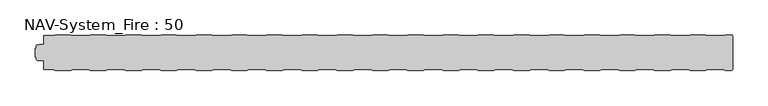
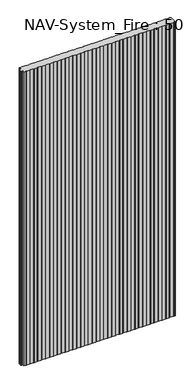
"""IFC4 building model written with IfcOpenShell, lengths in millimetres: plate geometry, NAV-System_Fire : 50."""

from ifc_helpers import new_model, si_unit, frame, origin, place, context, project, spatial, circle_curve, source, transform, mapped, element, save
from ifc_brep_helpers import plane_surface, cylinder_surface, advanced_brep


def nav_system_fire_50_bee35911(model_context):
    return source(origin(), model_context, "Body", "AdvancedBrep", [
        advanced_brep(
        [(489.3798221, -0.8, 2000.0), (486.3798221, -1.8, 2000.0), (464.1201779, -1.8, 2000.0), (461.1201779, -0.8, 2000.0), (439.3798221, -0.8, 2000.0), (436.3798221, -1.8, 2000.0), (414.1201779, -1.8, 2000.0), (411.1201779, -0.8, 2000.0), (389.3798221, -0.8, 2000.0), (386.3798221, -1.8, 2000.0), (364.1201779, -1.8, 2000.0), (361.1201779, -0.8, 2000.0), (339.3798221, -0.8, 2000.0), (336.3798221, -1.8, 2000.0), (314.1201779, -1.8, 2000.0), (311.1201779, -0.8, 2000.0), (289.3798221, -0.8, 2000.0), (286.3798221, -1.8, 2000.0), (264.1201779, -1.8, 2000.0), (261.1201779, -0.8, 2000.0), (239.3798221, -0.8, 2000.0), (236.3798221, -1.8, 2000.0), (214.1201779, -1.8, 2000.0), (211.1201779, -0.8, 2000.0), (189.3798221, -0.8, 2000.0), (186.3798221, -1.8, 2000.0), (164.1201779, -1.8, 2000.0), (161.1201779, -0.8, 2000.0), (139.3798221, -0.8, 2000.0), (136.3798221, -1.8, 2000.0), (114.1201779, -1.8, 2000.0), (111.1201779, -0.8, 2000.0), (89.3798221, -0.8, 2000.0), (86.3798221, -1.8, 2000.0), (64.1201779, -1.8, 2000.0), (61.1201779, -0.8, 2000.0), (39.3798221, -0.8, 2000.0), (36.3798221, -1.8, 2000.0), (14.1201779, -1.8, 2000.0), (11.1201779, -0.8, 2000.0), (-10.6201779, -0.8, 2000.0), (-13.6201779, -1.8, 2000.0), (-35.8798221, -1.8, 2000.0), (-38.8798221, -0.8, 2000.0), (-60.6201779, -0.8, 2000.0), (-63.6201779, -1.8, 2000.0), (-85.8798221, -1.8, 2000.0), (-88.8798221, -0.8, 2000.0), (-110.6201779, -0.8, 2000.0), (-113.6201779, -1.8, 2000.0), (-135.8798221, -1.8, 2000.0), (-138.8798221, -0.8, 2000.0), (-160.6201779, -0.8, 2000.0), (-163.6201779, -1.8, 2000.0), (-185.8798221, -1.8, 2000.0), (-188.8798221, -0.8, 2000.0), (-210.6201779, -0.8, 2000.0), (-213.6201779, -1.8, 2000.0), (-235.8798221, -1.8, 2000.0), (-238.8798221, -0.8, 2000.0), (-260.6201779, -0.8, 2000.0), (-263.6201779, -1.8, 2000.0), (-285.8798221, -1.8, 2000.0), (-288.8798221, -0.8, 2000.0), (-310.6201779, -0.8, 2000.0), (-313.6201779, -1.8, 2000.0), (-335.8798221, -1.8, 2000.0), (-338.8798221, -0.8, 2000.0), (-360.6201779, -0.8, 2000.0), (-363.6201779, -1.8, 2000.0), (-385.8798221, -1.8, 2000.0), (-388.8798221, -0.8, 2000.0), (-410.6201779, -0.8, 2000.0), (-413.6201779, -1.8, 2000.0), (-435.8798221, -1.8, 2000.0), (-438.8798221, -0.8, 2000.0), (-460.6201779, -0.8, 2000.0), (-463.6201779, -1.8, 2000.0), (-476.9102086, -1.8, 2000.0), (-476.9102086, -14.4343223, 2000.0), (-483.4274784, -14.4343223, 2000.0), (-485.8625665, -14.8636942, 2000.0), (-487.3500004, -16.636349, 2000.0), (-487.3500004, -19.9487816, 2000.0), (-488.9002227, -19.9487816, 2000.0), (-488.9002227, -31.6487997, 2000.0), (-487.3500014, -31.6487997, 2000.0), (-487.3500014, -34.963651, 2000.0), (-485.8625665, -36.7363054, 2000.0), (-483.4274762, -37.1656777, 2000.0), (-476.9102086, -37.1656777, 2000.0), (-476.9102086, -49.8, 2000.0), (-463.6201779, -49.8, 2000.0), (-460.6201779, -50.8, 2000.0), (-438.8798221, -50.8, 2000.0), (-435.8798221, -49.8, 2000.0), (-413.6201779, -49.8, 2000.0), (-410.6201779, -50.8, 2000.0), (-388.8798221, -50.8, 2000.0), (-385.8798221, -49.8, 2000.0), (-363.6201779, -49.8, 2000.0), (-360.6201779, -50.8, 2000.0), (-338.8798221, -50.8, 2000.0), (-335.8798221, -49.8, 2000.0), (-313.6201779, -49.8, 2000.0), (-310.6201779, -50.8, 2000.0), (-288.8798221, -50.8, 2000.0), (-285.8798221, -49.8, 2000.0), (-263.6201779, -49.8, 2000.0), (-260.6201779, -50.8, 2000.0), (-238.8798221, -50.8, 2000.0), (-235.8798221, -49.8, 2000.0), (-213.6201779, -49.8, 2000.0), (-210.6201779, -50.8, 2000.0), (-188.8798221, -50.8, 2000.0), (-185.8798221, -49.8, 2000.0), (-163.6201779, -49.8, 2000.0), (-160.6201779, -50.8, 2000.0), (-138.8798221, -50.8, 2000.0), (-135.8798221, -49.8, 2000.0), (-113.6201779, -49.8, 2000.0), (-110.6201779, -50.8, 2000.0), (-88.8798221, -50.8, 2000.0), (-85.8798221, -49.8, 2000.0), (-63.6201779, -49.8, 2000.0), (-60.6201779, -50.8, 2000.0), (-38.8798221, -50.8, 2000.0), (-35.8798221, -49.8, 2000.0), (-13.6201779, -49.8, 2000.0), (-10.6201779, -50.8, 2000.0), (11.1201779, -50.8, 2000.0), (14.1201779, -49.8, 2000.0), (36.3798221, -49.8, 2000.0), (39.3798221, -50.8, 2000.0), (61.1201779, -50.8, 2000.0), (64.1201779, -49.8, 2000.0), (86.3798221, -49.8, 2000.0), (89.3798221, -50.8, 2000.0), (111.1201779, -50.8, 2000.0), (114.1201779, -49.8, 2000.0), (136.3798221, -49.8, 2000.0), (139.3798221, -50.8, 2000.0), (161.1201779, -50.8, 2000.0), (164.1201779, -49.8, 2000.0), (186.3798221, -49.8, 2000.0), (189.3798221, -50.8, 2000.0), (211.1201779, -50.8, 2000.0), (214.1201779, -49.8, 2000.0), (236.3798221, -49.8, 2000.0), (239.3798221, -50.8, 2000.0), (261.1201779, -50.8, 2000.0), (264.1201779, -49.8, 2000.0), (286.3798221, -49.8, 2000.0), (289.3798221, -50.8, 2000.0), (311.1201779, -50.8, 2000.0), (314.1201779, -49.8, 2000.0), (336.3798221, -49.8, 2000.0), (339.3798221, -50.8, 2000.0), (361.1201779, -50.8, 2000.0), (364.1201779, -49.8, 2000.0), (386.3798221, -49.8, 2000.0), (389.3798221, -50.8, 2000.0), (411.1201779, -50.8, 2000.0), (414.1201779, -49.8, 2000.0), (436.3798221, -49.8, 2000.0), (439.3798221, -50.8, 2000.0), (461.1201779, -50.8, 2000.0), (464.1201779, -49.8, 2000.0), (486.3798221, -49.8, 2000.0), (489.3798221, -50.8, 2000.0), (498.2500017, -50.8, 2000.0), (499.4471561, -49.6825886, 2000.0), (499.4471561, -45.3999876, 2000.0), (499.75, -45.3999876, 2000.0), (499.75, -6.2000131, 2000.0), (499.4471561, -6.2000131, 2000.0), (499.4471561, -1.9174088, 2000.0), (498.2500017, -0.8, 2000.0), (489.3798221, -0.8, 0.0), (498.2500017, -0.8, 0.0), (499.4471561, -1.9174088, 0.0), (499.4471561, -6.2000131, 0.0), (499.75, -6.2000131, 0.0), (499.75, -45.3999876, 0.0), (499.4471561, -45.3999876, 0.0), (499.4471561, -49.6825886, 0.0), (498.2500017, -50.8, 0.0), (489.3798221, -50.8, 0.0), (486.3798221, -49.8, 0.0), (464.1201779, -49.8, 0.0), (461.1201779, -50.8, 0.0), (439.3798221, -50.8, 0.0), (436.3798221, -49.8, 0.0), (414.1201779, -49.8, 0.0), (411.1201779, -50.8, 0.0), (389.3798221, -50.8, 0.0), (386.3798221, -49.8, 0.0), (364.1201779, -49.8, 0.0), (361.1201779, -50.8, 0.0), (339.3798221, -50.8, 0.0), (336.3798221, -49.8, 0.0), (314.1201779, -49.8, 0.0), (311.1201779, -50.8, 0.0), (289.3798221, -50.8, 0.0), (286.3798221, -49.8, 0.0), (264.1201779, -49.8, 0.0), (261.1201779, -50.8, 0.0), (239.3798221, -50.8, 0.0), (236.3798221, -49.8, 0.0), (214.1201779, -49.8, 0.0), (211.1201779, -50.8, 0.0), (189.3798221, -50.8, 0.0), (186.3798221, -49.8, 0.0), (164.1201779, -49.8, 0.0), (161.1201779, -50.8, 0.0), (139.3798221, -50.8, 0.0), (136.3798221, -49.8, 0.0), (114.1201779, -49.8, 0.0), (111.1201779, -50.8, 0.0), (89.3798221, -50.8, 0.0), (86.3798221, -49.8, 0.0), (64.1201779, -49.8, 0.0), (61.1201779, -50.8, 0.0), (39.3798221, -50.8, 0.0), (36.3798221, -49.8, 0.0), (14.1201779, -49.8, 0.0), (11.1201779, -50.8, 0.0), (-10.6201779, -50.8, 0.0), (-13.6201779, -49.8, 0.0), (-35.8798221, -49.8, 0.0), (-38.8798221, -50.8, 0.0), (-60.6201779, -50.8, 0.0), (-63.6201779, -49.8, 0.0), (-85.8798221, -49.8, 0.0), (-88.8798221, -50.8, 0.0), (-110.6201779, -50.8, 0.0), (-113.6201779, -49.8, 0.0), (-135.8798221, -49.8, 0.0), (-138.8798221, -50.8, 0.0), (-160.6201779, -50.8, 0.0), (-163.6201779, -49.8, 0.0), (-185.8798221, -49.8, 0.0), (-188.8798221, -50.8, 0.0), (-210.6201779, -50.8, 0.0), (-213.6201779, -49.8, 0.0), (-235.8798221, -49.8, 0.0), (-238.8798221, -50.8, 0.0), (-260.6201779, -50.8, 0.0), (-263.6201779, -49.8, 0.0), (-285.8798221, -49.8, 0.0), (-288.8798221, -50.8, 0.0), (-310.6201779, -50.8, 0.0), (-313.6201779, -49.8, 0.0), (-335.8798221, -49.8, 0.0), (-338.8798221, -50.8, 0.0), (-360.6201779, -50.8, 0.0), (-363.6201779, -49.8, 0.0), (-385.8798221, -49.8, 0.0), (-388.8798221, -50.8, 0.0), (-410.6201779, -50.8, 0.0), (-413.6201779, -49.8, 0.0), (-435.8798221, -49.8, 0.0), (-438.8798221, -50.8, 0.0), (-460.6201779, -50.8, 0.0), (-463.6201779, -49.8, 0.0), (-476.9102086, -49.8, 0.0), (-476.9102086, -37.1656777, 0.0), (-483.4274762, -37.1656777, 0.0), (-485.8625665, -36.7363054, 0.0), (-487.3500004, -34.963651, 0.0), (-487.3500014, -31.6487997, 0.0), (-488.9002227, -31.6487997, 0.0), (-488.9002227, -19.9487816, 0.0), (-487.3500004, -19.9487816, 0.0), (-487.3500004, -16.636349, 0.0), (-485.8625665, -14.8636942, 0.0), (-483.4274784, -14.4343223, 0.0), (-476.9102086, -14.4343223, 0.0), (-476.9102086, -1.8, 0.0), (-463.6201779, -1.8, 0.0), (-460.6201779, -0.8, 0.0), (-438.8798221, -0.8, 0.0), (-435.8798221, -1.8, 0.0), (-413.6201779, -1.8, 0.0), (-410.6201779, -0.8, 0.0), (-388.8798221, -0.8, 0.0), (-385.8798221, -1.8, 0.0), (-363.6201779, -1.8, 0.0), (-360.6201779, -0.8, 0.0), (-338.8798221, -0.8, 0.0), (-335.8798221, -1.8, 0.0), (-313.6201779, -1.8, 0.0), (-310.6201779, -0.8, 0.0), (-288.8798221, -0.8, 0.0), (-285.8798221, -1.8, 0.0), (-263.6201779, -1.8, 0.0), (-260.6201779, -0.8, 0.0), (-238.8798221, -0.8, 0.0), (-235.8798221, -1.8, 0.0), (-213.6201779, -1.8, 0.0), (-210.6201779, -0.8, 0.0), (-188.8798221, -0.8, 0.0), (-185.8798221, -1.8, 0.0), (-163.6201779, -1.8, 0.0), (-160.6201779, -0.8, 0.0), (-138.8798221, -0.8, 0.0), (-135.8798221, -1.8, 0.0), (-113.6201779, -1.8, 0.0), (-110.6201779, -0.8, 0.0), (-88.8798221, -0.8, 0.0), (-85.8798221, -1.8, 0.0), (-63.6201779, -1.8, 0.0), (-60.6201779, -0.8, 0.0), (-38.8798221, -0.8, 0.0), (-35.8798221, -1.8, 0.0), (-13.6201779, -1.8, 0.0), (-10.6201779, -0.8, 0.0), (11.1201779, -0.8, 0.0), (14.1201779, -1.8, 0.0), (36.3798221, -1.8, 0.0), (39.3798221, -0.8, 0.0), (61.1201779, -0.8, 0.0), (64.1201779, -1.8, 0.0), (86.3798221, -1.8, 0.0), (89.3798221, -0.8, 0.0), (111.1201779, -0.8, 0.0), (114.1201779, -1.8, 0.0), (136.3798221, -1.8, 0.0), (139.3798221, -0.8, 0.0), (161.1201779, -0.8, 0.0), (164.1201779, -1.8, 0.0), (186.3798221, -1.8, 0.0), (189.3798221, -0.8, 0.0), (211.1201779, -0.8, 0.0), (214.1201779, -1.8, 0.0), (236.3798221, -1.8, 0.0), (239.3798221, -0.8, 0.0), (261.1201779, -0.8, 0.0), (264.1201779, -1.8, 0.0), (286.3798221, -1.8, 0.0), (289.3798221, -0.8, 0.0), (311.1201779, -0.8, 0.0), (314.1201779, -1.8, 0.0), (336.3798221, -1.8, 0.0), (339.3798221, -0.8, 0.0), (361.1201779, -0.8, 0.0), (364.1201779, -1.8, 0.0), (386.3798221, -1.8, 0.0), (389.3798221, -0.8, 0.0), (411.1201779, -0.8, 0.0), (414.1201779, -1.8, 0.0), (436.3798221, -1.8, 0.0), (439.3798221, -0.8, 0.0), (461.1201779, -0.8, 0.0), (464.1201779, -1.8, 0.0), (486.3798221, -1.8, 0.0)],
        [
            (0, 1),
            (1, 2),
            (2, 3),
            (3, 4),
            (4, 5),
            (5, 6),
            (6, 7),
            (7, 8),
            (8, 9),
            (9, 10),
            (10, 11),
            (11, 12),
            (12, 13),
            (13, 14),
            (14, 15),
            (15, 16),
            (16, 17),
            (17, 18),
            (18, 19),
            (19, 20),
            (20, 21),
            (21, 22),
            (22, 23),
            (23, 24),
            (24, 25),
            (25, 26),
            (26, 27),
            (27, 28),
            (28, 29),
            (29, 30),
            (30, 31),
            (31, 32),
            (32, 33),
            (33, 34),
            (34, 35),
            (35, 36),
            (36, 37),
            (37, 38),
            (38, 39),
            (39, 40),
            (40, 41),
            (41, 42),
            (42, 43),
            (43, 44),
            (44, 45),
            (45, 46),
            (46, 47),
            (47, 48),
            (48, 49),
            (49, 50),
            (50, 51),
            (51, 52),
            (52, 53),
            (53, 54),
            (54, 55),
            (55, 56),
            (56, 57),
            (57, 58),
            (58, 59),
            (59, 60),
            (60, 61),
            (61, 62),
            (62, 63),
            (63, 64),
            (64, 65),
            (65, 66),
            (66, 67),
            (67, 68),
            (68, 69),
            (69, 70),
            (70, 71),
            (71, 72),
            (72, 73),
            (73, 74),
            (74, 75),
            (75, 76),
            (76, 77),
            (77, 78),
            (78, 79),
            (79, 80),
            (80, 81),
            (81, 82, circle_curve(frame((-485.5499995, -16.636349, 2000.0), z_axis=(0.0, 0.0, 1.0), x_axis=(1.0, 0.0, 0.0)), 1.8000009)),
            (82, 83),
            (83, 84),
            (84, 85),
            (85, 86),
            (86, 87),
            (87, 88, circle_curve(frame((-485.5499995, -34.9636506, 2000.0), z_axis=(0.0, 0.0, 1.0), x_axis=(1.0, 0.0, 0.0)), 1.8000009)),
            (88, 89),
            (89, 90),
            (90, 91),
            (91, 92),
            (92, 93),
            (93, 94),
            (94, 95),
            (95, 96),
            (96, 97),
            (97, 98),
            (98, 99),
            (99, 100),
            (100, 101),
            (101, 102),
            (102, 103),
            (103, 104),
            (104, 105),
            (105, 106),
            (106, 107),
            (107, 108),
            (108, 109),
            (109, 110),
            (110, 111),
            (111, 112),
            (112, 113),
            (113, 114),
            (114, 115),
            (115, 116),
            (116, 117),
            (117, 118),
            (118, 119),
            (119, 120),
            (120, 121),
            (121, 122),
            (122, 123),
            (123, 124),
            (124, 125),
            (125, 126),
            (126, 127),
            (127, 128),
            (128, 129),
            (129, 130),
            (130, 131),
            (131, 132),
            (132, 133),
            (133, 134),
            (134, 135),
            (135, 136),
            (136, 137),
            (137, 138),
            (138, 139),
            (139, 140),
            (140, 141),
            (141, 142),
            (142, 143),
            (143, 144),
            (144, 145),
            (145, 146),
            (146, 147),
            (147, 148),
            (148, 149),
            (149, 150),
            (150, 151),
            (151, 152),
            (152, 153),
            (153, 154),
            (154, 155),
            (155, 156),
            (156, 157),
            (157, 158),
            (158, 159),
            (159, 160),
            (160, 161),
            (161, 162),
            (162, 163),
            (163, 164),
            (164, 165),
            (165, 166),
            (166, 167),
            (167, 168),
            (168, 169),
            (169, 170),
            (170, 171, circle_curve(frame((498.2500017, -49.6000001, 2000.0), z_axis=(0.0, 0.0, 1.0), x_axis=(1.0, 0.0, 0.0)), 1.1999999)),
            (171, 172),
            (172, 173),
            (173, 174),
            (174, 175),
            (175, 176),
            (176, 177, circle_curve(frame((498.2500017, -2.0, 2000.0), z_axis=(0.0, 0.0, 1.0), x_axis=(1.0, 0.0, 0.0)), 1.2)),
            (177, 0),
            (178, 179),
            (179, 180, circle_curve(frame((498.2500017, -2.0, 0.0), z_axis=(0.0, 0.0, -1.0), x_axis=(1.0, 0.0, 0.0)), 1.2)),
            (180, 181),
            (181, 182),
            (182, 183),
            (183, 184),
            (184, 185),
            (185, 186, circle_curve(frame((498.2500017, -49.6000001, 0.0), z_axis=(0.0, 0.0, -1.0), x_axis=(1.0, 0.0, 0.0)), 1.1999999)),
            (186, 187),
            (187, 188),
            (188, 189),
            (189, 190),
            (190, 191),
            (191, 192),
            (192, 193),
            (193, 194),
            (194, 195),
            (195, 196),
            (196, 197),
            (197, 198),
            (198, 199),
            (199, 200),
            (200, 201),
            (201, 202),
            (202, 203),
            (203, 204),
            (204, 205),
            (205, 206),
            (206, 207),
            (207, 208),
            (208, 209),
            (209, 210),
            (210, 211),
            (211, 212),
            (212, 213),
            (213, 214),
            (214, 215),
            (215, 216),
            (216, 217),
            (217, 218),
            (218, 219),
            (219, 220),
            (220, 221),
            (221, 222),
            (222, 223),
            (223, 224),
            (224, 225),
            (225, 226),
            (226, 227),
            (227, 228),
            (228, 229),
            (229, 230),
            (230, 231),
            (231, 232),
            (232, 233),
            (233, 234),
            (234, 235),
            (235, 236),
            (236, 237),
            (237, 238),
            (238, 239),
            (239, 240),
            (240, 241),
            (241, 242),
            (242, 243),
            (243, 244),
            (244, 245),
            (245, 246),
            (246, 247),
            (247, 248),
            (248, 249),
            (249, 250),
            (250, 251),
            (251, 252),
            (252, 253),
            (253, 254),
            (254, 255),
            (255, 256),
            (256, 257),
            (257, 258),
            (258, 259),
            (259, 260),
            (260, 261),
            (261, 262),
            (262, 263),
            (263, 264),
            (264, 265),
            (265, 266),
            (266, 267),
            (267, 268),
            (268, 269, circle_curve(frame((-485.5499995, -34.9636506, 0.0), z_axis=(0.0, 0.0, -1.0), x_axis=(1.0, 0.0, 0.0)), 1.8000009)),
            (269, 270),
            (270, 271),
            (271, 272),
            (272, 273),
            (273, 274),
            (274, 275, circle_curve(frame((-485.5499995, -16.636349, 0.0), z_axis=(0.0, 0.0, -1.0), x_axis=(1.0, 0.0, 0.0)), 1.8000009)),
            (275, 276),
            (276, 277),
            (277, 278),
            (278, 279),
            (279, 280),
            (280, 281),
            (281, 282),
            (282, 283),
            (283, 284),
            (284, 285),
            (285, 286),
            (286, 287),
            (287, 288),
            (288, 289),
            (289, 290),
            (290, 291),
            (291, 292),
            (292, 293),
            (293, 294),
            (294, 295),
            (295, 296),
            (296, 297),
            (297, 298),
            (298, 299),
            (299, 300),
            (300, 301),
            (301, 302),
            (302, 303),
            (303, 304),
            (304, 305),
            (305, 306),
            (306, 307),
            (307, 308),
            (308, 309),
            (309, 310),
            (310, 311),
            (311, 312),
            (312, 313),
            (313, 314),
            (314, 315),
            (315, 316),
            (316, 317),
            (317, 318),
            (318, 319),
            (319, 320),
            (320, 321),
            (321, 322),
            (322, 323),
            (323, 324),
            (324, 325),
            (325, 326),
            (326, 327),
            (327, 328),
            (328, 329),
            (329, 330),
            (330, 331),
            (331, 332),
            (332, 333),
            (333, 334),
            (334, 335),
            (335, 336),
            (336, 337),
            (337, 338),
            (338, 339),
            (339, 340),
            (340, 341),
            (341, 342),
            (342, 343),
            (343, 344),
            (344, 345),
            (345, 346),
            (346, 347),
            (347, 348),
            (348, 349),
            (349, 350),
            (350, 351),
            (351, 352),
            (352, 353),
            (353, 354),
            (354, 355),
            (355, 178),
            (177, 179),
            (178, 0),
            (355, 1),
            (354, 2),
            (353, 3),
            (352, 4),
            (351, 5),
            (350, 6),
            (349, 7),
            (348, 8),
            (347, 9),
            (346, 10),
            (345, 11),
            (344, 12),
            (343, 13),
            (342, 14),
            (341, 15),
            (340, 16),
            (339, 17),
            (338, 18),
            (337, 19),
            (336, 20),
            (335, 21),
            (334, 22),
            (333, 23),
            (332, 24),
            (331, 25),
            (330, 26),
            (329, 27),
            (328, 28),
            (327, 29),
            (326, 30),
            (325, 31),
            (324, 32),
            (323, 33),
            (322, 34),
            (321, 35),
            (320, 36),
            (319, 37),
            (318, 38),
            (317, 39),
            (316, 40),
            (315, 41),
            (314, 42),
            (313, 43),
            (312, 44),
            (311, 45),
            (310, 46),
            (309, 47),
            (308, 48),
            (307, 49),
            (306, 50),
            (305, 51),
            (304, 52),
            (303, 53),
            (302, 54),
            (301, 55),
            (300, 56),
            (299, 57),
            (298, 58),
            (297, 59),
            (296, 60),
            (295, 61),
            (294, 62),
            (293, 63),
            (292, 64),
            (291, 65),
            (290, 66),
            (289, 67),
            (288, 68),
            (287, 69),
            (286, 70),
            (285, 71),
            (284, 72),
            (283, 73),
            (282, 74),
            (281, 75),
            (280, 76),
            (279, 77),
            (278, 78),
            (91, 265),
            (264, 92),
            (263, 93),
            (262, 94),
            (261, 95),
            (260, 96),
            (259, 97),
            (258, 98),
            (257, 99),
            (256, 100),
            (255, 101),
            (254, 102),
            (253, 103),
            (252, 104),
            (251, 105),
            (250, 106),
            (249, 107),
            (248, 108),
            (247, 109),
            (246, 110),
            (245, 111),
            (244, 112),
            (243, 113),
            (242, 114),
            (241, 115),
            (240, 116),
            (239, 117),
            (238, 118),
            (237, 119),
            (236, 120),
            (235, 121),
            (234, 122),
            (233, 123),
            (232, 124),
            (231, 125),
            (230, 126),
            (229, 127),
            (228, 128),
            (227, 129),
            (226, 130),
            (225, 131),
            (224, 132),
            (223, 133),
            (222, 134),
            (221, 135),
            (220, 136),
            (219, 137),
            (218, 138),
            (217, 139),
            (216, 140),
            (215, 141),
            (214, 142),
            (213, 143),
            (212, 144),
            (211, 145),
            (210, 146),
            (209, 147),
            (208, 148),
            (207, 149),
            (206, 150),
            (205, 151),
            (204, 152),
            (203, 153),
            (202, 154),
            (201, 155),
            (200, 156),
            (199, 157),
            (198, 158),
            (197, 159),
            (196, 160),
            (195, 161),
            (194, 162),
            (193, 163),
            (192, 164),
            (191, 165),
            (190, 166),
            (189, 167),
            (188, 168),
            (187, 169),
            (186, 170),
            (277, 79),
            (276, 80),
            (82, 274),
            (273, 83),
            (272, 84),
            (271, 85),
            (89, 267),
            (266, 90),
            (185, 171),
            (184, 172),
            (183, 173),
            (181, 175),
            (174, 182),
            (180, 176),
            (275, 81),
            (270, 86),
            (269, 87),
            (268, 88),
        ],
        [
            plane_surface(frame((-499.75, 0.0, 2000.0), z_axis=(0.0, 0.0, 1.0), x_axis=(0.0, -1.0, 0.0))),
            plane_surface(frame((-499.75, 0.0, 0.0), z_axis=(0.0, 0.0, -1.0), x_axis=(0.0, -1.0, 0.0))),
            plane_surface(frame((498.2500017, -0.8, 2000.0), z_axis=(0.0, 1.0, 0.0), x_axis=(0.0, 0.0, -1.0))),
            plane_surface(frame((489.3798221, -0.8, 2000.0), z_axis=(-0.31622776601669594, 0.9486832980505612, 0.0), x_axis=(0.0, 0.0, -1.0))),
            plane_surface(frame((486.3798221, -1.8, 2000.0), z_axis=(0.0, 1.0, 0.0), x_axis=(0.0, 0.0, -1.0))),
            plane_surface(frame((464.1201779, -1.8, 2000.0), z_axis=(0.3162277660168045, 0.948683298050525, 0.0), x_axis=(0.0, 0.0, -1.0))),
            plane_surface(frame((461.1201779, -0.8, 2000.0), z_axis=(0.0, 1.0, 0.0), x_axis=(0.0, 0.0, -1.0))),
            plane_surface(frame((439.3798221, -0.8, 2000.0), z_axis=(-0.3162277660167413, 0.9486832980505461, 0.0), x_axis=(0.0, 0.0, -1.0))),
            plane_surface(frame((436.3798221, -1.8, 2000.0), z_axis=(0.0, 1.0, 0.0), x_axis=(0.0, 0.0, -1.0))),
            plane_surface(frame((414.1201779, -1.8, 2000.0), z_axis=(0.31622776601675356, 0.948683298050542, 0.0), x_axis=(0.0, 0.0, -1.0))),
            plane_surface(frame((411.1201779, -0.8, 2000.0), z_axis=(0.0, 1.0, 0.0), x_axis=(0.0, 0.0, -1.0))),
            plane_surface(frame((389.3798221, -0.8, 2000.0), z_axis=(-0.31622776601679226, 0.9486832980505291, 0.0), x_axis=(0.0, 0.0, -1.0))),
            plane_surface(frame((386.3798221, -1.8, 2000.0), z_axis=(0.0, 1.0, 0.0), x_axis=(0.0, 0.0, -1.0))),
            plane_surface(frame((364.1201779, -1.8, 2000.0), z_axis=(0.3162277660168045, 0.948683298050525, 0.0), x_axis=(0.0, 0.0, -1.0))),
            plane_surface(frame((361.1201779, -0.8, 2000.0), z_axis=(0.0, 1.0, 0.0), x_axis=(0.0, 0.0, -1.0))),
            plane_surface(frame((339.3798221, -0.8, 2000.0), z_axis=(-0.3162277660167413, 0.9486832980505461, 0.0), x_axis=(0.0, 0.0, -1.0))),
            plane_surface(frame((336.3798221, -1.8, 2000.0), z_axis=(0.0, 1.0, 0.0), x_axis=(0.0, 0.0, -1.0))),
            plane_surface(frame((314.1201779, -1.8, 2000.0), z_axis=(0.31622776601675356, 0.948683298050542, 0.0), x_axis=(0.0, 0.0, -1.0))),
            plane_surface(frame((311.1201779, -0.8, 2000.0), z_axis=(0.0, 1.0, 0.0), x_axis=(0.0, 0.0, -1.0))),
            plane_surface(frame((289.3798221, -0.8, 2000.0), z_axis=(-0.31622776601679226, 0.9486832980505291, 0.0), x_axis=(0.0, 0.0, -1.0))),
            plane_surface(frame((286.3798221, -1.8, 2000.0), z_axis=(0.0, 1.0, 0.0), x_axis=(0.0, 0.0, -1.0))),
            plane_surface(frame((264.1201779, -1.8, 2000.0), z_axis=(0.3162277660168045, 0.948683298050525, 0.0), x_axis=(0.0, 0.0, -1.0))),
            plane_surface(frame((261.1201779, -0.8, 2000.0), z_axis=(0.0, 1.0, 0.0), x_axis=(0.0, 0.0, -1.0))),
            plane_surface(frame((239.3798221, -0.8, 2000.0), z_axis=(-0.3162277660167413, 0.9486832980505461, 0.0), x_axis=(0.0, 0.0, -1.0))),
            plane_surface(frame((236.3798221, -1.8, 2000.0), z_axis=(0.0, 1.0, 0.0), x_axis=(0.0, 0.0, -1.0))),
            plane_surface(frame((214.1201779, -1.8, 2000.0), z_axis=(0.31622776601675356, 0.948683298050542, 0.0), x_axis=(0.0, 0.0, -1.0))),
            plane_surface(frame((211.1201779, -0.8, 2000.0), z_axis=(0.0, 1.0, 0.0), x_axis=(0.0, 0.0, -1.0))),
            plane_surface(frame((189.3798221, -0.8, 2000.0), z_axis=(-0.31622776601679226, 0.9486832980505291, 0.0), x_axis=(0.0, 0.0, -1.0))),
            plane_surface(frame((186.3798221, -1.8, 2000.0), z_axis=(0.0, 1.0, 0.0), x_axis=(0.0, 0.0, -1.0))),
            plane_surface(frame((164.1201779, -1.8, 2000.0), z_axis=(0.3162277660168045, 0.948683298050525, 0.0), x_axis=(0.0, 0.0, -1.0))),
            plane_surface(frame((161.1201779, -0.8, 2000.0), z_axis=(0.0, 1.0, 0.0), x_axis=(0.0, 0.0, -1.0))),
            plane_surface(frame((139.3798221, -0.8, 2000.0), z_axis=(-0.3162277660167413, 0.9486832980505461, 0.0), x_axis=(0.0, 0.0, -1.0))),
            plane_surface(frame((136.3798221, -1.8, 2000.0), z_axis=(0.0, 1.0, 0.0), x_axis=(0.0, 0.0, -1.0))),
            plane_surface(frame((114.1201779, -1.8, 2000.0), z_axis=(0.31622776601675356, 0.948683298050542, 0.0), x_axis=(0.0, 0.0, -1.0))),
            plane_surface(frame((111.1201779, -0.8, 2000.0), z_axis=(0.0, 1.0, 0.0), x_axis=(0.0, 0.0, -1.0))),
            plane_surface(frame((89.3798221, -0.8, 2000.0), z_axis=(-0.3162277660167413, 0.9486832980505461, 0.0), x_axis=(0.0, 0.0, -1.0))),
            plane_surface(frame((86.3798221, -1.8, 2000.0), z_axis=(0.0, 1.0, 0.0), x_axis=(0.0, 0.0, -1.0))),
            plane_surface(frame((64.1201779, -1.8, 2000.0), z_axis=(0.31622776601675356, 0.948683298050542, 0.0), x_axis=(0.0, 0.0, -1.0))),
            plane_surface(frame((61.1201779, -0.8, 2000.0), z_axis=(0.0, 1.0, 0.0), x_axis=(0.0, 0.0, -1.0))),
            plane_surface(frame((39.3798221, -0.8, 2000.0), z_axis=(-0.31622776601679226, 0.9486832980505291, 0.0), x_axis=(0.0, 0.0, -1.0))),
            plane_surface(frame((36.3798221, -1.8, 2000.0), z_axis=(0.0, 1.0, 0.0), x_axis=(0.0, 0.0, -1.0))),
            plane_surface(frame((14.1201779, -1.8, 2000.0), z_axis=(0.3162277660168045, 0.948683298050525, 0.0), x_axis=(0.0, 0.0, -1.0))),
            plane_surface(frame((11.1201779, -0.8, 2000.0), z_axis=(0.0, 1.0, 0.0), x_axis=(0.0, 0.0, -1.0))),
            plane_surface(frame((-10.6201779, -0.8, 2000.0), z_axis=(-0.3162277660167413, 0.9486832980505461, 0.0), x_axis=(0.0, 0.0, -1.0))),
            plane_surface(frame((-13.6201779, -1.8, 2000.0), z_axis=(0.0, 1.0, 0.0), x_axis=(0.0, 0.0, -1.0))),
            plane_surface(frame((-35.8798221, -1.8, 2000.0), z_axis=(0.31622776601675356, 0.948683298050542, 0.0), x_axis=(0.0, 0.0, -1.0))),
            plane_surface(frame((-38.8798221, -0.8, 2000.0), z_axis=(0.0, 1.0, 0.0), x_axis=(0.0, 0.0, -1.0))),
            plane_surface(frame((-60.6201779, -0.8, 2000.0), z_axis=(-0.31622776601679226, 0.9486832980505291, 0.0), x_axis=(0.0, 0.0, -1.0))),
            plane_surface(frame((-63.6201779, -1.8, 2000.0), z_axis=(0.0, 1.0, 0.0), x_axis=(0.0, 0.0, -1.0))),
            plane_surface(frame((-85.8798221, -1.8, 2000.0), z_axis=(0.3162277660168045, 0.948683298050525, 0.0), x_axis=(0.0, 0.0, -1.0))),
            plane_surface(frame((-88.8798221, -0.8, 2000.0), z_axis=(0.0, 1.0, 0.0), x_axis=(0.0, 0.0, -1.0))),
            plane_surface(frame((-110.6201779, -0.8, 2000.0), z_axis=(-0.3162277660167413, 0.9486832980505461, 0.0), x_axis=(0.0, 0.0, -1.0))),
            plane_surface(frame((-113.6201779, -1.8, 2000.0), z_axis=(0.0, 1.0, 0.0), x_axis=(0.0, 0.0, -1.0))),
            plane_surface(frame((-135.8798221, -1.8, 2000.0), z_axis=(0.31622776601675356, 0.948683298050542, 0.0), x_axis=(0.0, 0.0, -1.0))),
            plane_surface(frame((-138.8798221, -0.8, 2000.0), z_axis=(0.0, 1.0, 0.0), x_axis=(0.0, 0.0, -1.0))),
            plane_surface(frame((-160.6201779, -0.8, 2000.0), z_axis=(-0.31622776601679226, 0.9486832980505291, 0.0), x_axis=(0.0, 0.0, -1.0))),
            plane_surface(frame((-163.6201779, -1.8, 2000.0), z_axis=(0.0, 1.0, 0.0), x_axis=(0.0, 0.0, -1.0))),
            plane_surface(frame((-185.8798221, -1.8, 2000.0), z_axis=(0.3162277660168056, 0.9486832980505246, 0.0), x_axis=(0.0, 0.0, -1.0))),
            plane_surface(frame((-188.8798221, -0.8, 2000.0), z_axis=(0.0, 1.0, 0.0), x_axis=(0.0, 0.0, -1.0))),
            plane_surface(frame((-210.6201779, -0.8, 2000.0), z_axis=(-0.3162277660167413, 0.9486832980505461, 0.0), x_axis=(0.0, 0.0, -1.0))),
            plane_surface(frame((-213.6201779, -1.8, 2000.0), z_axis=(0.0, 1.0, 0.0), x_axis=(0.0, 0.0, -1.0))),
            plane_surface(frame((-235.8798221, -1.8, 2000.0), z_axis=(0.31622776601675356, 0.948683298050542, 0.0), x_axis=(0.0, 0.0, -1.0))),
            plane_surface(frame((-238.8798221, -0.8, 2000.0), z_axis=(0.0, 1.0, 0.0), x_axis=(0.0, 0.0, -1.0))),
            plane_surface(frame((-260.6201779, -0.8, 2000.0), z_axis=(-0.31622776601679226, 0.9486832980505291, 0.0), x_axis=(0.0, 0.0, -1.0))),
            plane_surface(frame((-263.6201779, -1.8, 2000.0), z_axis=(0.0, 1.0, 0.0), x_axis=(0.0, 0.0, -1.0))),
            plane_surface(frame((-285.8798221, -1.8, 2000.0), z_axis=(0.3162277660168045, 0.948683298050525, 0.0), x_axis=(0.0, 0.0, -1.0))),
            plane_surface(frame((-288.8798221, -0.8, 2000.0), z_axis=(0.0, 1.0, 0.0), x_axis=(0.0, 0.0, -1.0))),
            plane_surface(frame((-310.6201779, -0.8, 2000.0), z_axis=(-0.3162277660167413, 0.9486832980505461, 0.0), x_axis=(0.0, 0.0, -1.0))),
            plane_surface(frame((-313.6201779, -1.8, 2000.0), z_axis=(0.0, 1.0, 0.0), x_axis=(0.0, 0.0, -1.0))),
            plane_surface(frame((-335.8798221, -1.8, 2000.0), z_axis=(0.31622776601675356, 0.948683298050542, 0.0), x_axis=(0.0, 0.0, -1.0))),
            plane_surface(frame((-338.8798221, -0.8, 2000.0), z_axis=(0.0, 1.0, 0.0), x_axis=(0.0, 0.0, -1.0))),
            plane_surface(frame((-360.6201779, -0.8, 2000.0), z_axis=(-0.31622776601679226, 0.9486832980505291, 0.0), x_axis=(0.0, 0.0, -1.0))),
            plane_surface(frame((-363.6201779, -1.8, 2000.0), z_axis=(0.0, 1.0, 0.0), x_axis=(0.0, 0.0, -1.0))),
            plane_surface(frame((-385.8798221, -1.8, 2000.0), z_axis=(0.3162277660168045, 0.948683298050525, 0.0), x_axis=(0.0, 0.0, -1.0))),
            plane_surface(frame((-388.8798221, -0.8, 2000.0), z_axis=(0.0, 1.0, 0.0), x_axis=(0.0, 0.0, -1.0))),
            plane_surface(frame((-410.6201779, -0.8, 2000.0), z_axis=(-0.31622776601679226, 0.9486832980505291, 0.0), x_axis=(0.0, 0.0, -1.0))),
            plane_surface(frame((-413.6201779, -1.8, 2000.0), z_axis=(0.0, 1.0, 0.0), x_axis=(0.0, 0.0, -1.0))),
            plane_surface(frame((-435.8798221, -1.8, 2000.0), z_axis=(0.3162277660168045, 0.948683298050525, 0.0), x_axis=(0.0, 0.0, -1.0))),
            plane_surface(frame((-438.8798221, -0.8, 2000.0), z_axis=(0.0, 1.0, 0.0), x_axis=(0.0, 0.0, -1.0))),
            plane_surface(frame((-460.6201779, -0.8, 2000.0), z_axis=(-0.3162277660167413, 0.9486832980505461, 0.0), x_axis=(0.0, 0.0, -1.0))),
            plane_surface(frame((-463.6201779, -1.8, 2000.0), z_axis=(0.0, 1.0, 0.0), x_axis=(0.0, 0.0, -1.0))),
            plane_surface(frame((-476.9102086, -49.8, 2000.0), z_axis=(0.0, -1.0, 0.0), x_axis=(0.0, 0.0, -1.0))),
            plane_surface(frame((-463.6201779, -49.8, 2000.0), z_axis=(-0.31622776601680425, -0.9486832980505251, 0.0), x_axis=(0.0, 0.0, -1.0))),
            plane_surface(frame((-460.6201779, -50.8, 2000.0), z_axis=(0.0, -1.0, 0.0), x_axis=(0.0, 0.0, -1.0))),
            plane_surface(frame((-438.8798221, -50.8, 2000.0), z_axis=(0.3162277660166068, -0.9486832980505908, 0.0), x_axis=(0.0, 0.0, -1.0))),
            plane_surface(frame((-435.8798221, -49.8, 2000.0), z_axis=(0.0, -1.0, 0.0), x_axis=(0.0, 0.0, -1.0))),
            plane_surface(frame((-413.6201779, -49.8, 2000.0), z_axis=(-0.3162277660169808, -0.9486832980504663, 0.0), x_axis=(0.0, 0.0, -1.0))),
            plane_surface(frame((-410.6201779, -50.8, 2000.0), z_axis=(0.0, -1.0, 0.0), x_axis=(0.0, 0.0, -1.0))),
            plane_surface(frame((-388.8798221, -50.8, 2000.0), z_axis=(0.3162277660165346, -0.9486832980506149, 0.0), x_axis=(0.0, 0.0, -1.0))),
            plane_surface(frame((-385.8798221, -49.8, 2000.0), z_axis=(0.0, -1.0, 0.0), x_axis=(0.0, 0.0, -1.0))),
            plane_surface(frame((-363.6201779, -49.8, 2000.0), z_axis=(-0.3162277660169872, -0.9486832980504641, 0.0), x_axis=(0.0, 0.0, -1.0))),
            plane_surface(frame((-360.6201779, -50.8, 2000.0), z_axis=(0.0, -1.0, 0.0), x_axis=(0.0, 0.0, -1.0))),
            plane_surface(frame((-338.8798221, -50.8, 2000.0), z_axis=(0.31622776601646235, -0.948683298050639, 0.0), x_axis=(0.0, 0.0, -1.0))),
            plane_surface(frame((-335.8798221, -49.8, 2000.0), z_axis=(0.0, -1.0, 0.0), x_axis=(0.0, 0.0, -1.0))),
            plane_surface(frame((-313.6201779, -49.8, 2000.0), z_axis=(-0.316227766016862, -0.9486832980505058, 0.0), x_axis=(0.0, 0.0, -1.0))),
            plane_surface(frame((-310.6201779, -50.8, 2000.0), z_axis=(0.0, -1.0, 0.0), x_axis=(0.0, 0.0, -1.0))),
            plane_surface(frame((-288.8798221, -50.8, 2000.0), z_axis=(0.3162277660164126, -0.9486832980506557, 0.0), x_axis=(0.0, 0.0, -1.0))),
            plane_surface(frame((-285.8798221, -49.8, 2000.0), z_axis=(0.0, -1.0, 0.0), x_axis=(0.0, 0.0, -1.0))),
            plane_surface(frame((-263.6201779, -49.8, 2000.0), z_axis=(-0.31622776601681385, -0.9486832980505219, 0.0), x_axis=(0.0, 0.0, -1.0))),
            plane_surface(frame((-260.6201779, -50.8, 2000.0), z_axis=(0.0, -1.0, 0.0), x_axis=(0.0, 0.0, -1.0))),
            plane_surface(frame((-238.8798221, -50.8, 2000.0), z_axis=(0.3162277660164688, -0.9486832980506369, 0.0), x_axis=(0.0, 0.0, -1.0))),
            plane_surface(frame((-235.8798221, -49.8, 2000.0), z_axis=(0.0, -1.0, 0.0), x_axis=(0.0, 0.0, -1.0))),
            plane_surface(frame((-213.6201779, -49.8, 2000.0), z_axis=(-0.3162277660169198, -0.9486832980504866, 0.0), x_axis=(0.0, 0.0, -1.0))),
            plane_surface(frame((-210.6201779, -50.8, 2000.0), z_axis=(0.0, -1.0, 0.0), x_axis=(0.0, 0.0, -1.0))),
            plane_surface(frame((-188.8798221, -50.8, 2000.0), z_axis=(0.31622776601647684, -0.9486832980506342, 0.0), x_axis=(0.0, 0.0, -1.0))),
            plane_surface(frame((-185.8798221, -49.8, 2000.0), z_axis=(0.0, -1.0, 0.0), x_axis=(0.0, 0.0, -1.0))),
            plane_surface(frame((-163.6201779, -49.8, 2000.0), z_axis=(-0.3162277660169102, -0.9486832980504898, 0.0), x_axis=(0.0, 0.0, -1.0))),
            plane_surface(frame((-160.6201779, -50.8, 2000.0), z_axis=(0.0, -1.0, 0.0), x_axis=(0.0, 0.0, -1.0))),
            plane_surface(frame((-138.8798221, -50.8, 2000.0), z_axis=(0.3162277660165153, -0.9486832980506213, 0.0), x_axis=(0.0, 0.0, -1.0))),
            plane_surface(frame((-135.8798221, -49.8, 2000.0), z_axis=(0.0, -1.0, 0.0), x_axis=(0.0, 0.0, -1.0))),
            plane_surface(frame((-113.6201779, -49.8, 2000.0), z_axis=(-0.31622776601686364, -0.9486832980505052, 0.0), x_axis=(0.0, 0.0, -1.0))),
            plane_surface(frame((-110.6201779, -50.8, 2000.0), z_axis=(0.0, -1.0, 0.0), x_axis=(0.0, 0.0, -1.0))),
            plane_surface(frame((-88.8798221, -50.8, 2000.0), z_axis=(0.31622776601645114, -0.9486832980506428, 0.0), x_axis=(0.0, 0.0, -1.0))),
            plane_surface(frame((-85.8798221, -49.8, 2000.0), z_axis=(0.0, -1.0, 0.0), x_axis=(0.0, 0.0, -1.0))),
            plane_surface(frame((-63.6201779, -49.8, 2000.0), z_axis=(-0.31622776601692304, -0.9486832980504855, 0.0), x_axis=(0.0, 0.0, -1.0))),
            plane_surface(frame((-60.6201779, -50.8, 2000.0), z_axis=(0.0, -1.0, 0.0), x_axis=(0.0, 0.0, -1.0))),
            plane_surface(frame((-38.8798221, -50.8, 2000.0), z_axis=(0.3162277660164704, -0.9486832980506364, 0.0), x_axis=(0.0, 0.0, -1.0))),
            plane_surface(frame((-35.8798221, -49.8, 2000.0), z_axis=(0.0, -1.0, 0.0), x_axis=(0.0, 0.0, -1.0))),
            plane_surface(frame((-13.6201779, -49.8, 2000.0), z_axis=(-0.31622776601685726, -0.9486832980505074, 0.0), x_axis=(0.0, 0.0, -1.0))),
            plane_surface(frame((-10.6201779, -50.8, 2000.0), z_axis=(0.0, -1.0, 0.0), x_axis=(0.0, 0.0, -1.0))),
            plane_surface(frame((11.1201779, -50.8, 2000.0), z_axis=(0.3162277660165025, -0.9486832980506257, 0.0), x_axis=(0.0, 0.0, -1.0))),
            plane_surface(frame((14.1201779, -49.8, 2000.0), z_axis=(0.0, -1.0, 0.0), x_axis=(0.0, 0.0, -1.0))),
            plane_surface(frame((36.3798221, -49.8, 2000.0), z_axis=(-0.3162277660169487, -0.9486832980504769, 0.0), x_axis=(0.0, 0.0, -1.0))),
            plane_surface(frame((39.3798221, -50.8, 2000.0), z_axis=(0.0, -1.0, 0.0), x_axis=(0.0, 0.0, -1.0))),
            plane_surface(frame((61.1201779, -50.8, 2000.0), z_axis=(0.3162277660164576, -0.9486832980506407, 0.0), x_axis=(0.0, 0.0, -1.0))),
            plane_surface(frame((64.1201779, -49.8, 2000.0), z_axis=(0.0, -1.0, 0.0), x_axis=(0.0, 0.0, -1.0))),
            plane_surface(frame((86.3798221, -49.8, 2000.0), z_axis=(-0.3162277660169038, -0.9486832980504919, 0.0), x_axis=(0.0, 0.0, -1.0))),
            plane_surface(frame((89.3798221, -50.8, 2000.0), z_axis=(0.0, -1.0, 0.0), x_axis=(0.0, 0.0, -1.0))),
            plane_surface(frame((111.1201779, -50.8, 2000.0), z_axis=(0.31622776601658753, -0.9486832980505973, 0.0), x_axis=(0.0, 0.0, -1.0))),
            plane_surface(frame((114.1201779, -49.8, 2000.0), z_axis=(0.0, -1.0, 0.0), x_axis=(0.0, 0.0, -1.0))),
            plane_surface(frame((136.3798221, -49.8, 2000.0), z_axis=(-0.3162277660169294, -0.9486832980504833, 0.0), x_axis=(0.0, 0.0, -1.0))),
            plane_surface(frame((139.3798221, -50.8, 2000.0), z_axis=(0.0, -1.0, 0.0), x_axis=(0.0, 0.0, -1.0))),
            plane_surface(frame((161.1201779, -50.8, 2000.0), z_axis=(0.31622776601649605, -0.9486832980506278, 0.0), x_axis=(0.0, 0.0, -1.0))),
            plane_surface(frame((164.1201779, -49.8, 2000.0), z_axis=(0.0, -1.0, 0.0), x_axis=(0.0, 0.0, -1.0))),
            plane_surface(frame((186.3798221, -49.8, 2000.0), z_axis=(-0.3162277660169744, -0.9486832980504684, 0.0), x_axis=(0.0, 0.0, -1.0))),
            plane_surface(frame((189.3798221, -50.8, 2000.0), z_axis=(0.0, -1.0, 0.0), x_axis=(0.0, 0.0, -1.0))),
            plane_surface(frame((211.1201779, -50.8, 2000.0), z_axis=(0.31622776601655705, -0.9486832980506075, 0.0), x_axis=(0.0, 0.0, -1.0))),
            plane_surface(frame((214.1201779, -49.8, 2000.0), z_axis=(0.0, -1.0, 0.0), x_axis=(0.0, 0.0, -1.0))),
            plane_surface(frame((236.3798221, -49.8, 2000.0), z_axis=(-0.3162277660169375, -0.9486832980504807, 0.0), x_axis=(0.0, 0.0, -1.0))),
            plane_surface(frame((239.3798221, -50.8, 2000.0), z_axis=(0.0, -1.0, 0.0), x_axis=(0.0, 0.0, -1.0))),
            plane_surface(frame((261.1201779, -50.8, 2000.0), z_axis=(0.31622776601652175, -0.9486832980506192, 0.0), x_axis=(0.0, 0.0, -1.0))),
            plane_surface(frame((264.1201779, -49.8, 2000.0), z_axis=(0.0, -1.0, 0.0), x_axis=(0.0, 0.0, -1.0))),
            plane_surface(frame((286.3798221, -49.8, 2000.0), z_axis=(-0.31622776601696795, -0.9486832980504705, 0.0), x_axis=(0.0, 0.0, -1.0))),
            plane_surface(frame((289.3798221, -50.8, 2000.0), z_axis=(0.0, -1.0, 0.0), x_axis=(0.0, 0.0, -1.0))),
            plane_surface(frame((311.1201779, -50.8, 2000.0), z_axis=(0.3162277660165346, -0.948683298050615, 0.0), x_axis=(0.0, 0.0, -1.0))),
            plane_surface(frame((314.1201779, -49.8, 2000.0), z_axis=(0.0, -1.0, 0.0), x_axis=(0.0, 0.0, -1.0))),
            plane_surface(frame((336.3798221, -49.8, 2000.0), z_axis=(-0.31622776601693425, -0.9486832980504817, 0.0), x_axis=(0.0, 0.0, -1.0))),
            plane_surface(frame((339.3798221, -50.8, 2000.0), z_axis=(0.0, -1.0, 0.0), x_axis=(0.0, 0.0, -1.0))),
            plane_surface(frame((361.1201779, -50.8, 2000.0), z_axis=(0.31622776601654745, -0.9486832980506107, 0.0), x_axis=(0.0, 0.0, -1.0))),
            plane_surface(frame((364.1201779, -49.8, 2000.0), z_axis=(0.0, -1.0, 0.0), x_axis=(0.0, 0.0, -1.0))),
            plane_surface(frame((386.3798221, -49.8, 2000.0), z_axis=(-0.3162277660169294, -0.9486832980504833, 0.0), x_axis=(0.0, 0.0, -1.0))),
            plane_surface(frame((389.3798221, -50.8, 2000.0), z_axis=(0.0, -1.0, 0.0), x_axis=(0.0, 0.0, -1.0))),
            plane_surface(frame((411.1201779, -50.8, 2000.0), z_axis=(0.31622776601635477, -0.9486832980506749, 0.0), x_axis=(0.0, 0.0, -1.0))),
            plane_surface(frame((414.1201779, -49.8, 2000.0), z_axis=(0.0, -1.0, 0.0), x_axis=(0.0, 0.0, -1.0))),
            plane_surface(frame((436.3798221, -49.8, 2000.0), z_axis=(-0.3162277660168123, -0.9486832980505224, 0.0), x_axis=(0.0, 0.0, -1.0))),
            plane_surface(frame((439.3798221, -50.8, 2000.0), z_axis=(0.0, -1.0, 0.0), x_axis=(0.0, 0.0, -1.0))),
            plane_surface(frame((461.1201779, -50.8, 2000.0), z_axis=(0.3162277660163805, -0.9486832980506663, 0.0), x_axis=(0.0, 0.0, -1.0))),
            plane_surface(frame((464.1201779, -49.8, 2000.0), z_axis=(0.0, -1.0, 0.0), x_axis=(0.0, 0.0, -1.0))),
            plane_surface(frame((486.3798221, -49.8, 2000.0), z_axis=(-0.31622776601669833, -0.9486832980505604, 0.0), x_axis=(0.0, 0.0, -1.0))),
            plane_surface(frame((489.3798221, -50.8, 2000.0), z_axis=(0.0, -1.0, 0.0), x_axis=(0.0, 0.0, -1.0))),
            plane_surface(frame((-476.9102086, -1.8, 2000.0), z_axis=(-1.0, 0.0, 0.0), x_axis=(0.0, 0.0, -1.0))),
            plane_surface(frame((-476.9102086, -14.4343223, 2000.0), z_axis=(0.0, 1.0, 0.0), x_axis=(0.0, 0.0, -1.0))),
            plane_surface(frame((-487.3500004, -16.636349, 2000.0), z_axis=(-1.0, 0.0, 0.0), x_axis=(0.0, 0.0, -1.0))),
            plane_surface(frame((-487.3500004, -19.9487816, 2000.0), z_axis=(0.0, 1.0, 0.0), x_axis=(0.0, 0.0, -1.0))),
            plane_surface(frame((-488.9002227, -19.9487816, 2000.0), z_axis=(-1.0, 0.0, 0.0), x_axis=(0.0, 0.0, -1.0))),
            plane_surface(frame((-483.4274762, -37.1656777, 2000.0), z_axis=(0.0, -1.0, 0.0), x_axis=(0.0, 0.0, -1.0))),
            cylinder_surface(frame((498.2500017, -49.6000001, 2000.0), z_axis=(0.0, 0.0, 1.0), x_axis=(1.0, 0.0, 0.0)), 1.1999999),
            plane_surface(frame((499.4471561, -49.6825886, 2000.0), z_axis=(1.0, 0.0, 0.0), x_axis=(0.0, 0.0, -1.0))),
            plane_surface(frame((499.4471561, -45.3999876, 2000.0), z_axis=(0.0, -1.0, 0.0), x_axis=(0.0, 0.0, -1.0))),
            plane_surface(frame((510.0471492, -6.2000131, 2000.0), z_axis=(0.0, 1.0, 0.0), x_axis=(0.0, 0.0, -1.0))),
            plane_surface(frame((499.4471561, -6.2000131, 2000.0), z_axis=(1.0, 0.0, 0.0), x_axis=(0.0, 0.0, -1.0))),
            cylinder_surface(frame((498.2500017, -2.0, 2000.0), z_axis=(0.0, 0.0, 1.0), x_axis=(1.0, 0.0, 0.0)), 1.2),
            plane_surface(frame((-476.9102086, -37.1656777, 2000.0), z_axis=(-1.0, 0.0, 0.0), x_axis=(0.0, 0.0, -1.0))),
            plane_surface(frame((-483.4274784, -14.4343223, 2000.0), z_axis=(-0.17364822279076972, 0.9848077450556567, 0.0), x_axis=(0.0, 0.0, -1.0))),
            cylinder_surface(frame((-485.5499995, -16.636349, 2000.0), z_axis=(0.0, 0.0, 1.0), x_axis=(1.0, 0.0, 0.0)), 1.8000009),
            plane_surface(frame((-488.9002227, -31.6487997, 2000.0), z_axis=(0.0, -1.0, 0.0), x_axis=(0.0, 0.0, -1.0))),
            plane_surface(frame((-487.3500014, -31.6487997, 2000.0), z_axis=(-1.0, 0.0, 0.0), x_axis=(0.0, 0.0, -1.0))),
            cylinder_surface(frame((-485.5499995, -34.9636506, 2000.0), z_axis=(0.0, 0.0, 1.0), x_axis=(1.0, 0.0, 0.0)), 1.8000009),
            plane_surface(frame((-485.8625665, -36.7363054, 2000.0), z_axis=(-0.17364822279077433, -0.9848077450556558, 0.0), x_axis=(0.0, 0.0, -1.0))),
            plane_surface(frame((499.75, 100.0, 2000.0), z_axis=(1.0, 0.0, 0.0), x_axis=(0.0, 0.0, -1.0))),
        ],
        [
            (0, [[1, 2, 3, 4, 5, 6, 7, 8, 9, 10, 11, 12, 13, 14, 15, 16, 17, 18, 19, 20, 21, 22, 23, 24, 25, 26, 27, 28, 29, 30, 31, 32, 33, 34, 35, 36, 37, 38, 39, 40, 41, 42, 43, 44, 45, 46, 47, 48, 49, 50, 51, 52, 53, 54, 55, 56, 57, 58, 59, 60, 61, 62, 63, 64, 65, 66, 67, 68, 69, 70, 71, 72, 73, 74, 75, 76, 77, 78, 79, 80, 81, 82, 83, 84, 85, 86, 87, 88, 89, 90, 91, 92, 93, 94, 95, 96, 97, 98, 99, 100, 101, 102, 103, 104, 105, 106, 107, 108, 109, 110, 111, 112, 113, 114, 115, 116, 117, 118, 119, 120, 121, 122, 123, 124, 125, 126, 127, 128, 129, 130, 131, 132, 133, 134, 135, 136, 137, 138, 139, 140, 141, 142, 143, 144, 145, 146, 147, 148, 149, 150, 151, 152, 153, 154, 155, 156, 157, 158, 159, 160, 161, 162, 163, 164, 165, 166, 167, 168, 169, 170, 171, 172, 173, 174, 175, 176, 177, 178]]),
            (1, [[179, 180, 181, 182, 183, 184, 185, 186, 187, 188, 189, 190, 191, 192, 193, 194, 195, 196, 197, 198, 199, 200, 201, 202, 203, 204, 205, 206, 207, 208, 209, 210, 211, 212, 213, 214, 215, 216, 217, 218, 219, 220, 221, 222, 223, 224, 225, 226, 227, 228, 229, 230, 231, 232, 233, 234, 235, 236, 237, 238, 239, 240, 241, 242, 243, 244, 245, 246, 247, 248, 249, 250, 251, 252, 253, 254, 255, 256, 257, 258, 259, 260, 261, 262, 263, 264, 265, 266, 267, 268, 269, 270, 271, 272, 273, 274, 275, 276, 277, 278, 279, 280, 281, 282, 283, 284, 285, 286, 287, 288, 289, 290, 291, 292, 293, 294, 295, 296, 297, 298, 299, 300, 301, 302, 303, 304, 305, 306, 307, 308, 309, 310, 311, 312, 313, 314, 315, 316, 317, 318, 319, 320, 321, 322, 323, 324, 325, 326, 327, 328, 329, 330, 331, 332, 333, 334, 335, 336, 337, 338, 339, 340, 341, 342, 343, 344, 345, 346, 347, 348, 349, 350, 351, 352, 353, 354, 355, 356]]),
            (2, [[-178, 357, -179, 358]]),
            (3, [[-1, -358, -356, 359]]),
            (4, [[-2, -359, -355, 360]]),
            (5, [[-3, -360, -354, 361]]),
            (6, [[-4, -361, -353, 362]]),
            (7, [[-5, -362, -352, 363]]),
            (8, [[-6, -363, -351, 364]]),
            (9, [[-7, -364, -350, 365]]),
            (10, [[-8, -365, -349, 366]]),
            (11, [[-9, -366, -348, 367]]),
            (12, [[-10, -367, -347, 368]]),
            (13, [[-11, -368, -346, 369]]),
            (14, [[-12, -369, -345, 370]]),
            (15, [[-13, -370, -344, 371]]),
            (16, [[-14, -371, -343, 372]]),
            (17, [[-15, -372, -342, 373]]),
            (18, [[-16, -373, -341, 374]]),
            (19, [[-17, -374, -340, 375]]),
            (20, [[-18, -375, -339, 376]]),
            (21, [[-19, -376, -338, 377]]),
            (22, [[-20, -377, -337, 378]]),
            (23, [[-21, -378, -336, 379]]),
            (24, [[-22, -379, -335, 380]]),
            (25, [[-23, -380, -334, 381]]),
            (26, [[-24, -381, -333, 382]]),
            (27, [[-25, -382, -332, 383]]),
            (28, [[-26, -383, -331, 384]]),
            (29, [[-27, -384, -330, 385]]),
            (30, [[-28, -385, -329, 386]]),
            (31, [[-29, -386, -328, 387]]),
            (32, [[-30, -387, -327, 388]]),
            (33, [[-31, -388, -326, 389]]),
            (34, [[-32, -389, -325, 390]]),
            (35, [[-33, -390, -324, 391]]),
            (36, [[-34, -391, -323, 392]]),
            (37, [[-35, -392, -322, 393]]),
            (38, [[-36, -393, -321, 394]]),
            (39, [[-37, -394, -320, 395]]),
            (40, [[-38, -395, -319, 396]]),
            (41, [[-39, -396, -318, 397]]),
            (42, [[-40, -397, -317, 398]]),
            (43, [[-41, -398, -316, 399]]),
            (44, [[-42, -399, -315, 400]]),
            (45, [[-43, -400, -314, 401]]),
            (46, [[-44, -401, -313, 402]]),
            (47, [[-45, -402, -312, 403]]),
            (48, [[-46, -403, -311, 404]]),
            (49, [[-47, -404, -310, 405]]),
            (50, [[-48, -405, -309, 406]]),
            (51, [[-49, -406, -308, 407]]),
            (52, [[-50, -407, -307, 408]]),
            (53, [[-51, -408, -306, 409]]),
            (54, [[-52, -409, -305, 410]]),
            (55, [[-53, -410, -304, 411]]),
            (56, [[-54, -411, -303, 412]]),
            (57, [[-55, -412, -302, 413]]),
            (58, [[-56, -413, -301, 414]]),
            (59, [[-57, -414, -300, 415]]),
            (60, [[-58, -415, -299, 416]]),
            (61, [[-59, -416, -298, 417]]),
            (62, [[-60, -417, -297, 418]]),
            (63, [[-61, -418, -296, 419]]),
            (64, [[-62, -419, -295, 420]]),
            (65, [[-63, -420, -294, 421]]),
            (66, [[-64, -421, -293, 422]]),
            (67, [[-65, -422, -292, 423]]),
            (68, [[-66, -423, -291, 424]]),
            (69, [[-67, -424, -290, 425]]),
            (70, [[-68, -425, -289, 426]]),
            (71, [[-69, -426, -288, 427]]),
            (72, [[-70, -427, -287, 428]]),
            (73, [[-71, -428, -286, 429]]),
            (74, [[-72, -429, -285, 430]]),
            (75, [[-73, -430, -284, 431]]),
            (76, [[-74, -431, -283, 432]]),
            (77, [[-75, -432, -282, 433]]),
            (78, [[-76, -433, -281, 434]]),
            (79, [[-77, -434, -280, 435]]),
            (80, [[-78, -435, -279, 436]]),
            (81, [[-92, 437, -265, 438]]),
            (82, [[-93, -438, -264, 439]]),
            (83, [[-94, -439, -263, 440]]),
            (84, [[-95, -440, -262, 441]]),
            (85, [[-96, -441, -261, 442]]),
            (86, [[-97, -442, -260, 443]]),
            (87, [[-98, -443, -259, 444]]),
            (88, [[-99, -444, -258, 445]]),
            (89, [[-100, -445, -257, 446]]),
            (90, [[-101, -446, -256, 447]]),
            (91, [[-102, -447, -255, 448]]),
            (92, [[-103, -448, -254, 449]]),
            (93, [[-104, -449, -253, 450]]),
            (94, [[-105, -450, -252, 451]]),
            (95, [[-106, -451, -251, 452]]),
            (96, [[-107, -452, -250, 453]]),
            (97, [[-108, -453, -249, 454]]),
            (98, [[-109, -454, -248, 455]]),
            (99, [[-110, -455, -247, 456]]),
            (100, [[-111, -456, -246, 457]]),
            (101, [[-112, -457, -245, 458]]),
            (102, [[-113, -458, -244, 459]]),
            (103, [[-114, -459, -243, 460]]),
            (104, [[-115, -460, -242, 461]]),
            (105, [[-116, -461, -241, 462]]),
            (106, [[-117, -462, -240, 463]]),
            (107, [[-118, -463, -239, 464]]),
            (108, [[-119, -464, -238, 465]]),
            (109, [[-120, -465, -237, 466]]),
            (110, [[-121, -466, -236, 467]]),
            (111, [[-122, -467, -235, 468]]),
            (112, [[-123, -468, -234, 469]]),
            (113, [[-124, -469, -233, 470]]),
            (114, [[-125, -470, -232, 471]]),
            (115, [[-126, -471, -231, 472]]),
            (116, [[-127, -472, -230, 473]]),
            (117, [[-128, -473, -229, 474]]),
            (118, [[-129, -474, -228, 475]]),
            (119, [[-130, -475, -227, 476]]),
            (120, [[-131, -476, -226, 477]]),
            (121, [[-132, -477, -225, 478]]),
            (122, [[-133, -478, -224, 479]]),
            (123, [[-134, -479, -223, 480]]),
            (124, [[-135, -480, -222, 481]]),
            (125, [[-136, -481, -221, 482]]),
            (126, [[-137, -482, -220, 483]]),
            (127, [[-138, -483, -219, 484]]),
            (128, [[-139, -484, -218, 485]]),
            (129, [[-140, -485, -217, 486]]),
            (130, [[-141, -486, -216, 487]]),
            (131, [[-142, -487, -215, 488]]),
            (132, [[-143, -488, -214, 489]]),
            (133, [[-144, -489, -213, 490]]),
            (134, [[-145, -490, -212, 491]]),
            (135, [[-146, -491, -211, 492]]),
            (136, [[-147, -492, -210, 493]]),
            (137, [[-148, -493, -209, 494]]),
            (138, [[-149, -494, -208, 495]]),
            (139, [[-150, -495, -207, 496]]),
            (140, [[-151, -496, -206, 497]]),
            (141, [[-152, -497, -205, 498]]),
            (142, [[-153, -498, -204, 499]]),
            (143, [[-154, -499, -203, 500]]),
            (144, [[-155, -500, -202, 501]]),
            (145, [[-156, -501, -201, 502]]),
            (146, [[-157, -502, -200, 503]]),
            (147, [[-158, -503, -199, 504]]),
            (148, [[-159, -504, -198, 505]]),
            (149, [[-160, -505, -197, 506]]),
            (150, [[-161, -506, -196, 507]]),
            (151, [[-162, -507, -195, 508]]),
            (152, [[-163, -508, -194, 509]]),
            (153, [[-164, -509, -193, 510]]),
            (154, [[-165, -510, -192, 511]]),
            (155, [[-166, -511, -191, 512]]),
            (156, [[-167, -512, -190, 513]]),
            (157, [[-168, -513, -189, 514]]),
            (158, [[-169, -514, -188, 515]]),
            (159, [[-170, -515, -187, 516]]),
            (160, [[-79, -436, -278, 517]]),
            (161, [[-80, -517, -277, 518]]),
            (162, [[-83, 519, -274, 520]]),
            (163, [[-84, -520, -273, 521]]),
            (164, [[-85, -521, -272, 522]]),
            (165, [[-90, 523, -267, 524]]),
            (166, [[-171, -516, -186, 525]]),
            (167, [[-172, -525, -185, 526]]),
            (168, [[-526, -184, 527, -173]]),
            (169, [[528, -175, 529, -182]]),
            (170, [[-176, -528, -181, 530]]),
            (171, [[-177, -530, -180, -357]]),
            (172, [[-91, -524, -266, -437]]),
            (173, [[-81, -518, -276, 531]]),
            (174, [[-82, -531, -275, -519]]),
            (175, [[-86, -522, -271, 532]]),
            (176, [[-87, -532, -270, 533]]),
            (177, [[-88, -533, -269, 534]]),
            (178, [[-89, -534, -268, -523]]),
            (179, [[-174, -527, -183, -529]]),
        ],
    ),
    ])


if __name__ == "__main__":
    model = new_model("IFC4")
    model_context = context("Model", 3, world=origin())
    ifc_project = project(units=[si_unit("LENGTHUNIT", "METRE", prefix="MILLI")], contexts=[model_context])
    site = spatial("IfcSite", under=ifc_project)
    building = spatial("IfcBuilding", under=site)
    placement = place(None, origin())
    nav_system_fire_50_shape = nav_system_fire_50_bee35911(model_context)
    element("IfcPlate", 1, ObjectType="NAV-System_Fire : 50", at=placement, inside=building, context=model_context, shape_type="MappedRepresentation", body=[
        mapped(nav_system_fire_50_shape, transform((0.0, 0.0, 0.0), x_axis=(1.0, 0.0, 0.0), y_axis=(0.0, 1.0, 0.0), z_axis=(0.0, 0.0, 1.0))),
    ])
    save(model, "model.ifc")
